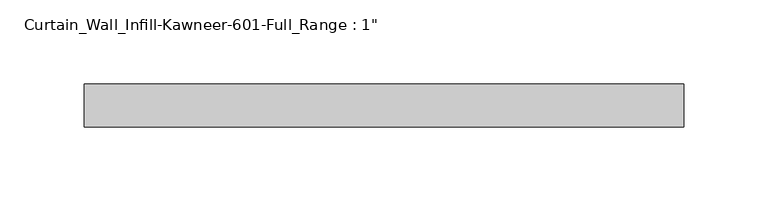
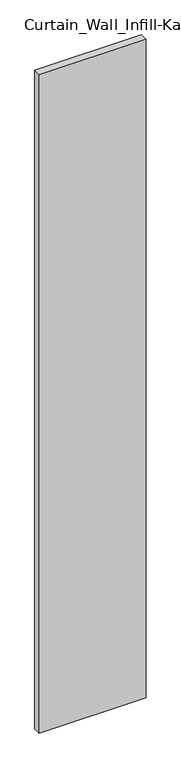
"""IFC4 building model written with IfcOpenShell, lengths in millimetres: plate geometry."""

import ifcopenshell
import ifcopenshell.guid

model = None  # the IFC model being written
_history = None  # IfcOwnerHistory: only IFC2X3 demands one
_inside = {}  # id of a spatial element -> (the spatial element, [elements in it])
_under = {}  # id of a project, library or spatial element -> (it, [spatial elements below it])
_declared = {}  # id of a project -> (the project, [libraries it declares])
_typed = {}  # id of a type object -> (the type object, [elements of that type])
_made_of = {}  # id of a material, layer set ... -> (it, [elements and type objects made of it])


def new_model(schema):
    """Start an empty IFC model of exactly this schema.

    Asked for "IFC4X3", IfcOpenShell would pick the latest addendum, in which some entities
    have other attributes; the version numbers below select the first issue.
    IFC2X3 requires an IfcOwnerHistory on every rooted entity: one is made here for all.
    """
    global model, _history
    if schema == "IFC4X3":
        model = ifcopenshell.file(schema_version=(4, 3, 0, 0))
    else:
        model = ifcopenshell.file(schema=schema)
    _inside.clear()
    _under.clear()
    _declared.clear()
    _typed.clear()
    _made_of.clear()
    _history = None
    if model.schema == "IFC2X3":
        org = make("IfcOrganization", Name="unknown")
        user = make(
            "IfcPersonAndOrganization",
            ThePerson=make("IfcPerson", FamilyName="unknown"),
            TheOrganization=org,
        )
        app = make(
            "IfcApplication",
            ApplicationDeveloper=org,
            Version="unknown",
            ApplicationFullName="unknown",
            ApplicationIdentifier="unknown",
        )
        _history = make(
            "IfcOwnerHistory",
            OwningUser=user,
            OwningApplication=app,
            ChangeAction="ADDED",
            CreationDate=0,
        )
    return model


def make(cls, **values):
    """One entity of the class cls with the attributes given. An attribute that is None is left unset."""
    return model.create_entity(
        cls, **{name: value for name, value in values.items() if value is not None}
    )


def rooted(cls, **values):
    """An entity with a GlobalId (a new one), such as an element, a storey or a relation."""
    return make(cls, GlobalId=ifcopenshell.guid.new(), OwnerHistory=_history, **values)


def si_unit(unit_type, name, prefix=None):
    """IfcSIUnit, for example si_unit("LENGTHUNIT", "METRE", prefix="MILLI")."""
    return make("IfcSIUnit", UnitType=unit_type, Prefix=prefix, Name=name)


def assignment(units):
    """IfcUnitAssignment: the units of a project."""
    return None if units is None else make("IfcUnitAssignment", Units=units)


def point(xyz):
    """IfcCartesianPoint."""
    return None if xyz is None else make("IfcCartesianPoint", Coordinates=xyz)


def direction(xyz):
    """IfcDirection."""
    return None if xyz is None else make("IfcDirection", DirectionRatios=xyz)


def frame(location, z_axis=None, x_axis=None):
    """IfcAxis2Placement3D, a coordinate frame: its origin and axes. An axis left out is left unset."""
    return make(
        "IfcAxis2Placement3D",
        Location=point(location),
        Axis=direction(z_axis),
        RefDirection=direction(x_axis),
    )


def origin():
    """The frame at (0, 0, 0) with its axes left unset."""
    return frame((0.0, 0.0, 0.0))


def origin_with_axes():
    """The frame at (0, 0, 0) with the z axis (0, 0, 1) and the x axis (1, 0, 0) written out."""
    return frame((0.0, 0.0, 0.0), z_axis=(0.0, 0.0, 1.0), x_axis=(1.0, 0.0, 0.0))


def place(relative_to, where):
    """IfcLocalPlacement: puts the frame where relative to a parent placement (None: the world)."""
    return make(
        "IfcLocalPlacement", PlacementRelTo=relative_to, RelativePlacement=where
    )


def context(
    kind, dimensions, precision=None, world=None, true_north=None, identifier=None
):
    """IfcGeometricRepresentationContext, for example the 3D "Model" context."""
    return make(
        "IfcGeometricRepresentationContext",
        ContextIdentifier=identifier,
        ContextType=kind,
        CoordinateSpaceDimension=dimensions,
        Precision=precision,
        WorldCoordinateSystem=world,
        TrueNorth=true_north,
    )


def project(units=None, contexts=None):
    """IfcProject with its units and contexts."""
    return rooted(
        "IfcProject",
        Name="project",
        RepresentationContexts=contexts,
        UnitsInContext=assignment(units),
    )


def spatial(cls, under=None, at=None, **own):
    """A site, building, storey or space (cls), placed at a placement, below another one or the project."""
    s = rooted(cls, ObjectPlacement=at, **own)
    if under is not None:
        _under.setdefault(under.id(), (under, []))[1].append(s)
    return s


def polyline(points):
    """IfcPolyline through the points."""
    return make("IfcPolyline", Points=[point(p) for p in points])


def outline(outer, holes=None, kind="AREA"):
    """IfcArbitraryClosedProfileDef: a profile drawn as a closed curve; with holes, ...WithVoids."""
    if holes is None:
        return make("IfcArbitraryClosedProfileDef", ProfileType=kind, OuterCurve=outer)
    return make(
        "IfcArbitraryProfileDefWithVoids",
        ProfileType=kind,
        OuterCurve=outer,
        InnerCurves=holes,
    )


def extrude(swept, where, along, depth):
    """IfcExtrudedAreaSolid: the profile swept, set in the frame where, extruded along a direction by depth."""
    return make(
        "IfcExtrudedAreaSolid",
        SweptArea=swept,
        Position=where,
        ExtrudedDirection=direction(along),
        Depth=depth,
    )


def shape(context_of_items, identifier, shape_type, items):
    """IfcShapeRepresentation: the items that make up one representation, for example the "Body"."""
    return make(
        "IfcShapeRepresentation",
        ContextOfItems=context_of_items,
        RepresentationIdentifier=identifier,
        RepresentationType=shape_type,
        Items=items,
    )


def source(mapping_origin, context_of_items, identifier, shape_type, items):
    """IfcRepresentationMap: a shape defined once, which mapped items show again and again."""
    return make(
        "IfcRepresentationMap",
        MappingOrigin=mapping_origin,
        MappedRepresentation=shape(context_of_items, identifier, shape_type, items),
    )


def transform(
    local_origin,
    x_axis=None,
    y_axis=None,
    z_axis=None,
    scale=None,
    scale2=None,
    scale3=None,
    uniform=True,
):
    """IfcCartesianTransformationOperator3D, or its non-uniform kind. x_axis, y_axis, z_axis: its Axis1, 2, 3."""
    if uniform:
        return make(
            "IfcCartesianTransformationOperator3D",
            Axis1=direction(x_axis),
            Axis2=direction(y_axis),
            LocalOrigin=point(local_origin),
            Scale=scale,
            Axis3=direction(z_axis),
        )
    return make(
        "IfcCartesianTransformationOperator3DnonUniform",
        Axis1=direction(x_axis),
        Axis2=direction(y_axis),
        LocalOrigin=point(local_origin),
        Scale=scale,
        Axis3=direction(z_axis),
        Scale2=scale2,
        Scale3=scale3,
    )


def mapped(mapping_source, mapping_target):
    """IfcMappedItem: shows the shape of a source again, moved by a transform."""
    return make(
        "IfcMappedItem", MappingSource=mapping_source, MappingTarget=mapping_target
    )


def made_of(thing, what):
    """Note that an element or type object is made of a material, layer set ...; save() writes the relation."""
    if what is not None:
        _made_of.setdefault(what.id(), (what, []))[1].append(thing)
    return thing


def element(
    cls,
    number,
    at=None,
    inside=None,
    cuts=None,
    type_object=None,
    material=None,
    context=None,
    identifier="Body",
    shape_type=None,
    held_by="IfcProductDefinitionShape",
    body=None,
    shapes=None,
    **own,
):
    """One element of the class cls, such as IfcWall. Its Tag is "e" and its number.

    at: its placement. inside: the storey or other place that contains it. cuts: it is an
    opening in that element (IfcRelVoidsElement). A single representation is given by context,
    identifier, shape_type and body (its items); several are given by shapes. held_by: the class
    of the entity that holds the representations. save() writes the other relations.
    """
    e = rooted(cls, Tag="e%d" % number, ObjectPlacement=at, **own)
    if body is not None:
        shapes = [shape(context, identifier, shape_type, body)]
    if shapes is not None:
        e.Representation = make(held_by, Representations=shapes)
    if inside is not None:
        _inside.setdefault(inside.id(), (inside, []))[1].append(e)
    if cuts is not None:
        rooted(
            "IfcRelVoidsElement", RelatingBuildingElement=cuts, RelatedOpeningElement=e
        )
    if type_object is not None:
        _typed.setdefault(type_object.id(), (type_object, []))[1].append(e)
    return made_of(e, material)


def aggregate(whole, parts):
    """IfcRelAggregates: a whole, such as a stair, and the parts it consists of."""
    return rooted("IfcRelAggregates", RelatingObject=whole, RelatedObjects=parts)


def save(model, path):
    """Write the relations noted so far, then the file.

    IfcRelAggregates (storeys below a building ...), IfcRelContainedInSpatialStructure (elements
    in a storey), IfcRelDefinesByType, IfcRelAssociatesMaterial and IfcRelDeclares: one each for
    every whole, place, type object, material and project.
    """
    for whole, parts in _under.values():
        aggregate(whole, parts)
    for where, things in _inside.values():
        rooted(
            "IfcRelContainedInSpatialStructure",
            RelatedElements=things,
            RelatingStructure=where,
        )
    for kind, things in _typed.values():
        rooted("IfcRelDefinesByType", RelatedObjects=things, RelatingType=kind)
    for what, things in _made_of.values():
        rooted("IfcRelAssociatesMaterial", RelatedObjects=things, RelatingMaterial=what)
    for by, libraries in _declared.values():
        rooted("IfcRelDeclares", RelatingContext=by, RelatedDefinitions=libraries)
    model.write(path)


def plate_3e544e18(model_context):
    return source(origin(), model_context, "Body", "SweptSolid", [
        extrude(outline(polyline([(-177.8, 0.0), (177.8, 0.0), (177.8, -25.4), (-177.8, -25.4), (-177.8, 0.0)])), origin_with_axes(), (0.0, 0.0, 1.0), 2311.4),
    ])


if __name__ == "__main__":
    model = new_model("IFC4")
    model_context = context("Model", 3, world=origin())
    ifc_project = project(units=[si_unit("LENGTHUNIT", "METRE", prefix="MILLI")], contexts=[model_context])
    site = spatial("IfcSite", under=ifc_project)
    building = spatial("IfcBuilding", under=site)
    placement = place(None, origin())
    plate_shape = plate_3e544e18(model_context)
    element("IfcPlate", 1, ObjectType="Curtain_Wall_Infill-Kawneer-601-Full_Range : 1\"", at=placement, inside=building, context=model_context, shape_type="MappedRepresentation", body=[
        mapped(plate_shape, transform((0.0, 0.0, 0.0), x_axis=(1.0, 0.0, 0.0), y_axis=(0.0, 1.0, 0.0), z_axis=(0.0, 0.0, 1.0))),
    ])
    save(model, "model.ifc")
